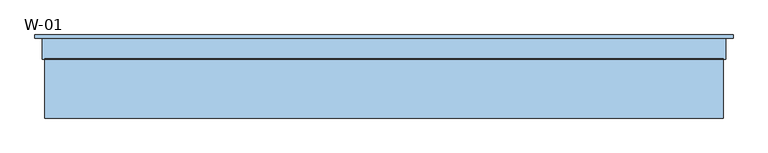
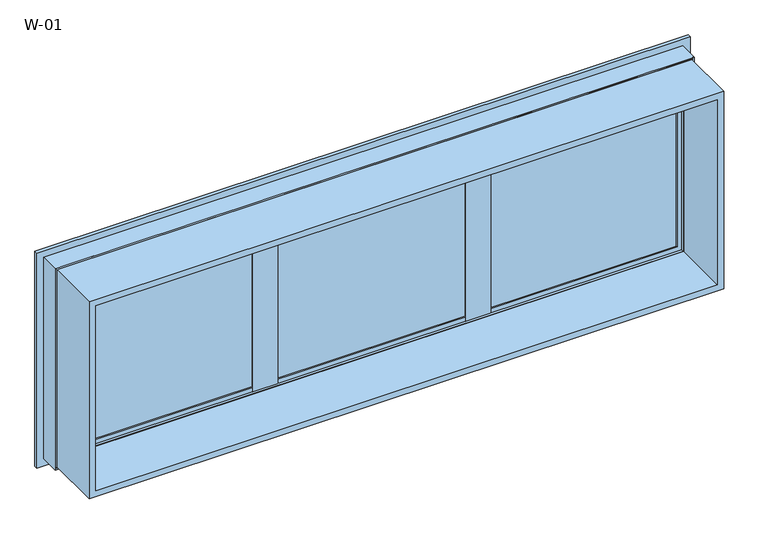
"""IFC4 building model written with IfcOpenShell, lengths in millimetres: window geometry, W-01."""

from ifc_helpers import new_model, si_unit, frame, origin, place, context, project, spatial, polyline, ellipse_curve, outline, extrude, source, transform, mapped, element, save
from ifc_brep_helpers import plane_surface, cylinder_surface, revolved_surface, advanced_brep


def w_01_6a825225(model_context):
    return source(origin(), model_context, "Body", "SolidModel", [
        extrude(outline(polyline([(278.0, 74.4), (-278.0, 74.4), (-278.0, 100.4), (278.0, 100.4), (278.0, 74.4)])), frame((0.0, 0.0, 1427.0), z_axis=(0.0, 0.0, 1.0), x_axis=(1.0, 0.0, 0.0)), (0.0, 0.0, 1.0), 566.0),
        extrude(outline(polyline([(873.0, 74.4), (322.0, 74.4), (322.0, 100.4), (873.0, 100.4), (873.0, 74.4)])), frame((0.0, 0.0, 1427.0), z_axis=(0.0, 0.0, 1.0), x_axis=(1.0, 0.0, 0.0)), (0.0, 0.0, 1.0), 566.0),
        extrude(outline(polyline([(1993.8, 893.8), (1993.8, -893.8), (1406.2, -893.8), (1406.2, 893.8), (1993.8, 893.8)]), holes=[polyline([(1424.7, 875.3), (1424.7, -875.3), (1975.3, -875.3), (1975.3, 875.3), (1424.7, 875.3)])]), frame((0.0, -100.0, 0.0), z_axis=(0.0, 1.0, 0.0), x_axis=(0.0, 0.0, 1.0)), (0.0, 0.0, 1.0), 165.9999813),
        extrude(outline(polyline([(-322.0, 74.4), (-873.0, 74.4), (-873.0, 100.4), (-322.0, 100.4), (-322.0, 74.4)])), frame((0.0, 0.0, 1427.0), z_axis=(0.0, 0.0, 1.0), x_axis=(1.0, 0.0, 0.0)), (0.0, 0.0, 1.0), 566.0),
        advanced_brep(
        [(265.0, 107.7228474, 1960.0), (265.0, 107.7228474, 1440.0), (262.8575034, 100.3927452, 1442.1424966), (262.8575034, 100.3927452, 1957.8575034), (265.0, 118.9999377, 1960.0), (265.0, 118.9999377, 1440.0), (285.0, 100.3927452, 1980.0), (285.0, 100.3927452, 1420.0), (285.0, 118.9999377, 1420.0), (285.0, 118.9999377, 1980.0), (-265.0, 107.7228474, 1440.0), (-262.8575034, 100.3927452, 1442.1424966), (-265.0, 118.9999377, 1440.0), (-285.0, 100.3927452, 1420.0), (-285.0, 118.9999377, 1420.0), (-265.0, 107.7228474, 1960.0), (-262.8575034, 100.3927452, 1957.8575034), (-265.0, 118.9999377, 1960.0), (-285.0, 100.3927452, 1980.0), (-285.0, 118.9999377, 1980.0)],
        [
            (0, 1),
            (1, 2, ellipse_curve(frame((245.3925883, 109.4756835, 1459.6074117), z_axis=(-0.7071067811865475, 0.0, -0.7071067811865475), x_axis=(0.7071067811865474, 0.0, -0.7071067811865476)), 27.839649, 19.6856046)),
            (2, 3),
            (3, 0, ellipse_curve(frame((245.3925883, 109.4756835, 1940.3925883), z_axis=(-0.7071067811865475, 0.0, 0.7071067811865475), x_axis=(-0.7071067811865474, 0.0, -0.7071067811865476)), 27.839649, 19.6856046)),
            (4, 5),
            (5, 1),
            (0, 4),
            (6, 7),
            (7, 8),
            (8, 9),
            (9, 6),
            (1, 10),
            (10, 11, ellipse_curve(frame((-245.3925883, 109.4756835, 1459.6074117), z_axis=(-0.7071067811865475, 0.0, 0.7071067811865475), x_axis=(-0.7071067811865476, 0.0, -0.7071067811865474)), 27.839649, 19.6856046)),
            (11, 2),
            (5, 12),
            (12, 10),
            (7, 13),
            (13, 14),
            (14, 8),
            (10, 15),
            (15, 16, ellipse_curve(frame((-245.3925883, 109.4756835, 1940.3925883), z_axis=(0.7071067811865475, 0.0, 0.7071067811865475), x_axis=(-0.7071067811865474, 0.0, 0.7071067811865476)), 27.839649, 19.6856046)),
            (16, 11),
            (12, 17),
            (17, 15),
            (13, 18),
            (18, 19),
            (19, 14),
            (6, 18),
            (16, 3),
            (15, 0),
            (17, 4),
            (19, 9),
        ],
        [
            revolved_surface(polyline([(265.0781929, 109.4756835, 1439.921807106247), (265.0781929, 109.4756835, 1960.0781928937533)]), (245.3925883, 109.4756835, 1980.0), (0.0, 0.0, -1.0)),
            plane_surface(frame((265.0, 107.7228474, 1960.0), z_axis=(-1.0, 0.0, 0.0), x_axis=(0.0, 0.0, -1.0))),
            plane_surface(frame((285.0, 118.9999377, 1980.0), z_axis=(1.0, 0.0, 0.0), x_axis=(0.0, 0.0, -1.0))),
            revolved_surface(polyline([(-265.0781928937532, 109.4756835, 1439.9218071), (265.0781928937533, 109.4756835, 1439.9218071)]), (285.0, 109.4756835, 1459.6074117), (-1.0, 0.0, 0.0)),
            plane_surface(frame((265.0, 107.7228474, 1440.0), z_axis=(0.0, 0.0, 1.0), x_axis=(-1.0, 0.0, 0.0))),
            plane_surface(frame((285.0, 118.9999377, 1420.0), z_axis=(0.0, 0.0, -1.0), x_axis=(-1.0, 0.0, 0.0))),
            revolved_surface(polyline([(-265.0781929, 109.4756835, 1960.078192893753), (-265.0781929, 109.4756835, 1439.921807106247)]), (-245.3925883, 109.4756835, 1420.0), (0.0, 0.0, 1.0)),
            plane_surface(frame((-265.0, 107.7228474, 1440.0), z_axis=(1.0, 0.0, 0.0), x_axis=(0.0, 0.0, 1.0))),
            plane_surface(frame((-285.0, 118.9999377, 1420.0), z_axis=(-1.0, 0.0, 0.0), x_axis=(0.0, 0.0, 1.0))),
            plane_surface(frame((-285.0, 100.3927452, 1980.0), z_axis=(0.0, -1.0, 0.0), x_axis=(1.0, 0.0, 0.0))),
            revolved_surface(polyline([(265.0781928937532, 109.4756835, 1960.0781929), (-265.0781928937533, 109.4756835, 1960.0781929)]), (-285.0, 109.4756835, 1940.3925883), (1.0, 0.0, 0.0)),
            plane_surface(frame((-265.0, 107.7228474, 1960.0), z_axis=(0.0, 0.0, -1.0), x_axis=(1.0, 0.0, 0.0))),
            plane_surface(frame((-265.0, 118.9999377, 1960.0), z_axis=(0.0, 1.0, 0.0), x_axis=(1.0, 0.0, 0.0))),
            plane_surface(frame((-285.0, 118.9999377, 1980.0), z_axis=(0.0, 0.0, 1.0), x_axis=(1.0, 0.0, 0.0))),
        ],
        [
            (0, [[1, 2, 3, 4]]),
            (1, [[5, 6, -1, 7]]),
            (2, [[8, 9, 10, 11]]),
            (3, [[12, 13, 14, -2]]),
            (4, [[15, 16, -12, -6]]),
            (5, [[17, 18, 19, -9]]),
            (6, [[20, 21, 22, -13]]),
            (7, [[23, 24, -20, -16]]),
            (8, [[25, 26, 27, -18]]),
            (9, [[-8, 28, -25, -17], [-3, -14, -22, 29]]),
            (10, [[30, -4, -29, -21]]),
            (11, [[31, -7, -30, -24]]),
            (12, [[-10, -19, -27, 32], [-5, -31, -23, -15]]),
            (13, [[-28, -11, -32, -26]]),
        ],
    ),
        extrude(outline(polyline([(264.9999652, 68.9990172), (264.9999652, 72.5990172), (284.9999813, 72.5990172), (284.9999813, 118.9999375), (315.0000187, 118.9999375), (315.0000187, 72.5990172), (335.0000026, 72.5990172), (335.0000026, 68.9990172), (264.9999652, 68.9990172)])), frame((0.0, 0.0, 1420.0), z_axis=(0.0, 0.0, 1.0), x_axis=(1.0, 0.0, 0.0)), (0.0, 0.0, 1.0), 560.0),
        advanced_brep(
        [(-860.0, 107.7228474, 1960.0), (-857.8575034, 100.3927452, 1957.8575034), (-857.8575034, 100.3927452, 1442.1424966), (-860.0, 107.7228474, 1440.0), (-860.0, 118.9999377, 1960.0), (-860.0, 118.9999377, 1440.0), (-880.0, 100.3927452, 1980.0), (-880.0, 118.9999377, 1980.0), (-880.0, 118.9999377, 1420.0), (-880.0, 100.3927452, 1420.0), (-337.1424966, 100.3927452, 1442.1424966), (-335.0, 107.7228474, 1440.0), (-335.0, 118.9999377, 1440.0), (-315.0, 118.9999377, 1420.0), (-315.0, 100.3927452, 1420.0), (-337.1424966, 100.3927452, 1957.8575034), (-335.0, 107.7228474, 1960.0), (-335.0, 118.9999377, 1960.0), (-315.0, 118.9999377, 1980.0), (-315.0, 100.3927452, 1980.0)],
        [
            (0, 1, ellipse_curve(frame((-840.3925883, 109.4756835, 1940.3925883), z_axis=(0.7071067811865475, 0.0, 0.7071067811865475), x_axis=(0.7071067811865474, 0.0, -0.7071067811865476)), 27.839649, 19.6856046)),
            (1, 2),
            (2, 3, ellipse_curve(frame((-840.3925883, 109.4756835, 1459.6074117), z_axis=(0.7071067811865475, 0.0, -0.7071067811865475), x_axis=(-0.7071067811865474, 0.0, -0.7071067811865476)), 27.839649, 19.6856046)),
            (3, 0),
            (4, 0),
            (3, 5),
            (5, 4),
            (6, 7),
            (7, 8),
            (8, 9),
            (9, 6),
            (2, 10),
            (10, 11, ellipse_curve(frame((-354.6074117, 109.4756835, 1459.6074117), z_axis=(0.7071067811865475, 0.0, 0.7071067811865475), x_axis=(0.7071067811865476, 0.0, -0.7071067811865474)), 27.839649, 19.6856046)),
            (11, 3),
            (11, 12),
            (12, 5),
            (8, 13),
            (13, 14),
            (14, 9),
            (10, 15),
            (15, 16, ellipse_curve(frame((-354.6074117, 109.4756835, 1940.3925883), z_axis=(-0.7071067811865475, 0.0, 0.7071067811865475), x_axis=(0.7071067811865474, 0.0, 0.7071067811865476)), 27.839649, 19.6856046)),
            (16, 11),
            (16, 17),
            (17, 12),
            (13, 18),
            (18, 19),
            (19, 14),
            (19, 6),
            (1, 15),
            (0, 16),
            (4, 17),
            (7, 18),
        ],
        [
            revolved_surface(polyline([(-860.0781929000001, 109.4756835, 1439.921807106247), (-860.0781929000001, 109.4756835, 1960.0781928937533)]), (-840.3925883, 109.4756835, 1980.0), (0.0, 0.0, -1.0)),
            plane_surface(frame((-860.0, 107.7228474, 1960.0), z_axis=(1.0, 0.0, 0.0), x_axis=(0.0, 0.0, -1.0))),
            plane_surface(frame((-880.0, 118.9999377, 1980.0), z_axis=(-1.0, 0.0, 0.0), x_axis=(0.0, 0.0, -1.0))),
            revolved_surface(polyline([(-334.9218071062468, 109.4756835, 1439.9218071), (-860.0781928937533, 109.4756835, 1439.9218071)]), (-880.0, 109.4756835, 1459.6074117), (1.0, 0.0, 0.0)),
            plane_surface(frame((-860.0, 107.7228474, 1440.0), z_axis=(0.0, 0.0, 1.0), x_axis=(1.0, 0.0, 0.0))),
            plane_surface(frame((-880.0, 118.9999377, 1420.0), z_axis=(0.0, 0.0, -1.0), x_axis=(1.0, 0.0, 0.0))),
            revolved_surface(polyline([(-334.9218071, 109.4756835, 1960.078192893753), (-334.9218071, 109.4756835, 1439.921807106247)]), (-354.6074117, 109.4756835, 1420.0), (0.0, 0.0, 1.0)),
            plane_surface(frame((-335.0, 107.7228474, 1440.0), z_axis=(-1.0, 0.0, 0.0), x_axis=(0.0, 0.0, 1.0))),
            plane_surface(frame((-315.0, 118.9999377, 1420.0), z_axis=(1.0, 0.0, 0.0), x_axis=(0.0, 0.0, 1.0))),
            plane_surface(frame((-315.0, 100.3927452, 1980.0), z_axis=(0.0, -1.0, 0.0), x_axis=(-1.0, 0.0, 0.0))),
            revolved_surface(polyline([(-860.0781928937533, 109.4756835, 1960.0781929), (-334.9218071062467, 109.4756835, 1960.0781929)]), (-315.0, 109.4756835, 1940.3925883), (-1.0, 0.0, 0.0)),
            plane_surface(frame((-335.0, 107.7228474, 1960.0), z_axis=(0.0, 0.0, -1.0), x_axis=(-1.0, 0.0, 0.0))),
            plane_surface(frame((-335.0, 118.9999377, 1960.0), z_axis=(0.0, 1.0, 0.0), x_axis=(-1.0, 0.0, 0.0))),
            plane_surface(frame((-315.0, 118.9999377, 1980.0), z_axis=(0.0, 0.0, 1.0), x_axis=(-1.0, 0.0, 0.0))),
        ],
        [
            (0, [[1, 2, 3, 4]]),
            (1, [[5, -4, 6, 7]]),
            (2, [[8, 9, 10, 11]]),
            (3, [[-3, 12, 13, 14]]),
            (4, [[-6, -14, 15, 16]]),
            (5, [[-10, 17, 18, 19]]),
            (6, [[-13, 20, 21, 22]]),
            (7, [[-15, -22, 23, 24]]),
            (8, [[-18, 25, 26, 27]]),
            (9, [[-19, -27, 28, -11], [29, -20, -12, -2]]),
            (10, [[-21, -29, -1, 30]]),
            (11, [[-23, -30, -5, 31]]),
            (12, [[32, -25, -17, -9], [-16, -24, -31, -7]]),
            (13, [[-26, -32, -8, -28]]),
        ],
    ),
        extrude(outline(polyline([(-335.0000348, 68.9990172), (-335.0000348, 72.5990172), (-315.0000187, 72.5990172), (-315.0000187, 118.9999375), (-284.9999813, 118.9999375), (-284.9999813, 72.5990172), (-264.9999974, 72.5990172), (-264.9999974, 68.9990172), (-335.0000348, 68.9990172)])), frame((0.0, 0.0, 1420.0), z_axis=(0.0, 0.0, 1.0), x_axis=(1.0, 0.0, 0.0)), (0.0, 0.0, 1.0), 560.0),
        advanced_brep(
        [(860.0, 107.7228474, 1960.0), (860.0, 107.7228474, 1440.0), (857.8575034, 100.3927452, 1442.1424966), (857.8575034, 100.3927452, 1957.8575034), (860.0, 118.9999377, 1960.0), (860.0, 118.9999377, 1440.0), (880.0, 100.3927452, 1980.0), (880.0, 100.3927452, 1420.0), (880.0, 118.9999377, 1420.0), (880.0, 118.9999377, 1980.0), (335.0, 107.7228474, 1440.0), (337.1424966, 100.3927452, 1442.1424966), (335.0, 118.9999377, 1440.0), (315.0, 100.3927452, 1420.0), (315.0, 118.9999377, 1420.0), (335.0, 107.7228474, 1960.0), (337.1424966, 100.3927452, 1957.8575034), (335.0, 118.9999377, 1960.0), (315.0, 100.3927452, 1980.0), (315.0, 118.9999377, 1980.0)],
        [
            (0, 1),
            (1, 2, ellipse_curve(frame((840.3925883, 109.4756835, 1459.6074117), z_axis=(-0.7071067811865475, 0.0, -0.7071067811865475), x_axis=(0.7071067811865474, 0.0, -0.7071067811865476)), 27.839649, 19.6856046)),
            (2, 3),
            (3, 0, ellipse_curve(frame((840.3925883, 109.4756835, 1940.3925883), z_axis=(-0.7071067811865475, 0.0, 0.7071067811865475), x_axis=(-0.7071067811865474, 0.0, -0.7071067811865476)), 27.839649, 19.6856046)),
            (4, 5),
            (5, 1),
            (0, 4),
            (6, 7),
            (7, 8),
            (8, 9),
            (9, 6),
            (1, 10),
            (10, 11, ellipse_curve(frame((354.6074117, 109.4756835, 1459.6074117), z_axis=(-0.7071067811865475, 0.0, 0.7071067811865475), x_axis=(-0.7071067811865476, 0.0, -0.7071067811865474)), 27.839649, 19.6856046)),
            (11, 2),
            (5, 12),
            (12, 10),
            (7, 13),
            (13, 14),
            (14, 8),
            (10, 15),
            (15, 16, ellipse_curve(frame((354.6074117, 109.4756835, 1940.3925883), z_axis=(0.7071067811865475, 0.0, 0.7071067811865475), x_axis=(-0.7071067811865474, 0.0, 0.7071067811865476)), 27.839649, 19.6856046)),
            (16, 11),
            (12, 17),
            (17, 15),
            (13, 18),
            (18, 19),
            (19, 14),
            (6, 18),
            (16, 3),
            (15, 0),
            (17, 4),
            (19, 9),
        ],
        [
            revolved_surface(polyline([(860.0781929000001, 109.4756835, 1439.921807106247), (860.0781929000001, 109.4756835, 1960.0781928937533)]), (840.3925883, 109.4756835, 1980.0), (0.0, 0.0, -1.0)),
            plane_surface(frame((860.0, 107.7228474, 1960.0), z_axis=(-1.0, 0.0, 0.0), x_axis=(0.0, 0.0, -1.0))),
            plane_surface(frame((880.0, 118.9999377, 1980.0), z_axis=(1.0, 0.0, 0.0), x_axis=(0.0, 0.0, -1.0))),
            revolved_surface(polyline([(334.9218071062468, 109.4756835, 1439.9218071), (860.0781928937533, 109.4756835, 1439.9218071)]), (880.0, 109.4756835, 1459.6074117), (-1.0, 0.0, 0.0)),
            plane_surface(frame((860.0, 107.7228474, 1440.0), z_axis=(0.0, 0.0, 1.0), x_axis=(-1.0, 0.0, 0.0))),
            plane_surface(frame((880.0, 118.9999377, 1420.0), z_axis=(0.0, 0.0, -1.0), x_axis=(-1.0, 0.0, 0.0))),
            revolved_surface(polyline([(334.9218071, 109.4756835, 1960.078192893753), (334.9218071, 109.4756835, 1439.921807106247)]), (354.6074117, 109.4756835, 1420.0), (0.0, 0.0, 1.0)),
            plane_surface(frame((335.0, 107.7228474, 1440.0), z_axis=(1.0, 0.0, 0.0), x_axis=(0.0, 0.0, 1.0))),
            plane_surface(frame((315.0, 118.9999377, 1420.0), z_axis=(-1.0, 0.0, 0.0), x_axis=(0.0, 0.0, 1.0))),
            plane_surface(frame((315.0, 100.3927452, 1980.0), z_axis=(0.0, -1.0, 0.0), x_axis=(1.0, 0.0, 0.0))),
            revolved_surface(polyline([(860.0781928937533, 109.4756835, 1960.0781929), (334.9218071062467, 109.4756835, 1960.0781929)]), (315.0, 109.4756835, 1940.3925883), (1.0, 0.0, 0.0)),
            plane_surface(frame((335.0, 107.7228474, 1960.0), z_axis=(0.0, 0.0, -1.0), x_axis=(1.0, 0.0, 0.0))),
            plane_surface(frame((335.0, 118.9999377, 1960.0), z_axis=(0.0, 1.0, 0.0), x_axis=(1.0, 0.0, 0.0))),
            plane_surface(frame((315.0, 118.9999377, 1980.0), z_axis=(0.0, 0.0, 1.0), x_axis=(1.0, 0.0, 0.0))),
        ],
        [
            (0, [[1, 2, 3, 4]]),
            (1, [[5, 6, -1, 7]]),
            (2, [[8, 9, 10, 11]]),
            (3, [[12, 13, 14, -2]]),
            (4, [[15, 16, -12, -6]]),
            (5, [[17, 18, 19, -9]]),
            (6, [[20, 21, 22, -13]]),
            (7, [[23, 24, -20, -16]]),
            (8, [[25, 26, 27, -18]]),
            (9, [[-8, 28, -25, -17], [-3, -14, -22, 29]]),
            (10, [[30, -4, -29, -21]]),
            (11, [[31, -7, -30, -24]]),
            (12, [[-10, -19, -27, 32], [-5, -31, -23, -15]]),
            (13, [[-28, -11, -32, -26]]),
        ],
    ),
        advanced_brep(
        [(920.000038, 110.0, 2020.000038), (920.000038, 110.0, 1379.999962), (920.000038, 118.9999375, 1379.999962), (920.000038, 118.9999375, 2020.000038), (-920.000038, 118.9999375, 2020.000038), (-920.000038, 118.9999375, 1379.999962), (880.0000396, 118.9999375, 1980.0000396), (-880.0000396, 118.9999375, 1980.0000396), (-880.0000396, 118.9999375, 1419.9999604), (880.0000396, 118.9999375, 1419.9999604), (-920.000038, 110.0, 1379.999962), (-920.000038, 110.0, 2020.000038), (-900.0, 110.0, 2000.0), (900.0, 110.0, 2000.0), (900.0, 110.0, 1400.0), (-900.0, 110.0, 1400.0), (900.0, 54.8507969, 2000.0), (900.0, 54.8507969, 1400.0), (-900.0, 54.8507969, 1400.0), (895.0001465, 54.8506112, 1995.0001465), (895.0001465, 54.8506112, 1404.9998535), (-895.0001465, 54.8506112, 1404.9998535), (895.0001465, 56.5920405, 1995.0001465), (895.0001465, 56.5920405, 1404.9998535), (-895.0001465, 56.5920405, 1404.9998535), (893.8001794, 56.5908144, 1993.8001794), (893.8001794, 56.5908144, 1406.1998206), (-893.8001794, 56.5908144, 1406.1998206), (893.8001794, 65.9999813, 1993.8001794), (893.8001794, 65.9999813, 1406.1998206), (-893.8001794, 65.9999813, 1406.1998206), (-893.8001794, 65.9999813, 1993.8001794), (-874.2001794, 65.9999813, 1974.2001794), (874.2001794, 65.9999813, 1974.2001794), (874.2001794, 65.9999813, 1425.7998206), (-874.2001794, 65.9999813, 1425.7998206), (874.2001794, 61.9999728, 1974.2001794), (874.2001794, 61.9999728, 1425.7998206), (-874.2001794, 61.9999728, 1425.7998206), (-874.2001794, 61.9999728, 1974.2001794), (-872.6156704, 61.9999728, 1972.6156704), (872.6156704, 61.9999728, 1972.6156704), (872.6156704, 61.9999728, 1427.3843296), (-872.6156704, 61.9999728, 1427.3843296), (872.8755675, 68.9999299, 1972.8755675), (872.8755675, 68.9999299, 1427.1244325), (-872.8755675, 68.9999299, 1427.1244325), (-872.8755675, 68.9999299, 1972.8755675), (-860.0002274, 68.9999299, 1960.0002274), (860.0002274, 68.9999299, 1960.0002274), (860.0002274, 68.9999299, 1439.9997726), (-860.0002274, 68.9999299, 1439.9997726), (860.0002274, 72.5999758, 1960.0002274), (860.0002274, 72.5999758, 1439.9997726), (-860.0002274, 72.5999758, 1439.9997726), (-880.0000396, 72.5999758, 1980.0000396), (880.0000396, 72.5999758, 1980.0000396), (880.0000396, 72.5999758, 1419.9999604), (-880.0000396, 72.5999758, 1419.9999604), (-860.0002274, 72.5999758, 1960.0002274), (-900.0, 54.8507969, 2000.0), (-895.0001465, 54.8506112, 1995.0001465), (-895.0001465, 56.5920405, 1995.0001465), (-893.8001794, 56.5908144, 1993.8001794)],
        [
            (0, 1),
            (1, 2),
            (2, 3),
            (3, 0),
            (4, 3),
            (2, 5),
            (5, 4),
            (6, 7),
            (7, 8),
            (8, 9),
            (9, 6),
            (1, 10),
            (10, 5),
            (0, 11),
            (11, 10),
            (12, 13),
            (13, 14),
            (14, 15),
            (15, 12),
            (16, 17),
            (17, 14),
            (13, 16),
            (17, 18),
            (18, 15),
            (19, 20),
            (20, 17, ellipse_curve(frame((897.5001465, 52.8785929, 1402.4998535), z_axis=(-0.7071067811865475, 0.0, -0.7071067811865475), x_axis=(0.7071067811865474, 0.0, -0.7071067811865476)), 4.5030781, 3.184157)),
            (16, 19, ellipse_curve(frame((897.5001465, 52.8785929, 1997.5001465), z_axis=(-0.7071067811865475, 0.0, 0.7071067811865475), x_axis=(-0.7071067811865474, 0.0, -0.7071067811865476)), 4.5030781, 3.184157)),
            (20, 21),
            (21, 18, ellipse_curve(frame((-897.5001465, 52.8785929, 1402.4998535), z_axis=(-0.7071067811865475, 0.0, 0.7071067811865475), x_axis=(-0.7071067811865476, 0.0, -0.7071067811865474)), 4.5030781, 3.184157)),
            (22, 23),
            (23, 20),
            (19, 22),
            (23, 24),
            (24, 21),
            (25, 26),
            (26, 23, ellipse_curve(frame((894.4001534, 56.6007652, 1405.5998466), z_axis=(0.7071067811865475, 0.0, 0.7071067811865475), x_axis=(-0.7071067811865474, 0.0, 0.7071067811865476)), 0.8486081, 0.6000566)),
            (22, 25, ellipse_curve(frame((894.4001534, 56.6007652, 1994.4001534), z_axis=(0.7071067811865475, 0.0, -0.7071067811865475), x_axis=(0.7071067811865474, 0.0, 0.7071067811865476)), 0.8486081, 0.6000566)),
            (26, 27),
            (27, 24, ellipse_curve(frame((-894.4001534, 56.6007652, 1405.5998466), z_axis=(0.7071067811865475, 0.0, -0.7071067811865475), x_axis=(0.7071067811865476, 0.0, 0.7071067811865474)), 0.8486081, 0.6000566)),
            (28, 29),
            (29, 26),
            (25, 28),
            (29, 30),
            (30, 27),
            (28, 31),
            (31, 30),
            (32, 33),
            (33, 34),
            (34, 35),
            (35, 32),
            (36, 37),
            (37, 34),
            (33, 36),
            (37, 38),
            (38, 35),
            (36, 39),
            (39, 38),
            (40, 41),
            (41, 42),
            (42, 43),
            (43, 40),
            (44, 45),
            (45, 42),
            (41, 44),
            (45, 46),
            (46, 43),
            (44, 47),
            (47, 46),
            (48, 49),
            (49, 50),
            (50, 51),
            (51, 48),
            (52, 53),
            (53, 50),
            (49, 52),
            (53, 54),
            (54, 51),
            (55, 56),
            (56, 57),
            (57, 58),
            (58, 55),
            (52, 59),
            (59, 54),
            (9, 57),
            (56, 6),
            (8, 58),
            (11, 4),
            (18, 60),
            (60, 12),
            (21, 61),
            (61, 60, ellipse_curve(frame((-897.5001465, 52.8785929, 1997.5001465), z_axis=(0.7071067811865475, 0.0, 0.7071067811865475), x_axis=(-0.7071067811865474, 0.0, 0.7071067811865476)), 4.5030781, 3.184157)),
            (24, 62),
            (62, 61),
            (27, 63),
            (63, 62, ellipse_curve(frame((-894.4001534, 56.6007652, 1994.4001534), z_axis=(-0.7071067811865475, 0.0, -0.7071067811865475), x_axis=(0.7071067811865474, 0.0, -0.7071067811865476)), 0.8486081, 0.6000566)),
            (31, 63),
            (39, 32),
            (47, 40),
            (59, 48),
            (7, 55),
            (60, 16),
            (61, 19),
            (62, 22),
            (63, 25),
        ],
        [
            plane_surface(frame((920.000038, 118.9999375, 2020.000038), z_axis=(1.0, 0.0, 0.0), x_axis=(0.0, 0.0, -1.0))),
            plane_surface(frame((-880.0000396, 118.9999375, 1419.9999604), z_axis=(0.0, 1.0, 0.0), x_axis=(0.0, 0.0, 1.0))),
            plane_surface(frame((920.000038, 118.9999375, 1379.999962), z_axis=(0.0, 0.0, -1.0), x_axis=(-1.0, 0.0, 0.0))),
            plane_surface(frame((-920.000038, 110.0, 1379.999962), z_axis=(0.0, -1.0, 0.0), x_axis=(0.0, 0.0, 1.0))),
            plane_surface(frame((900.0, 110.0, 2000.0), z_axis=(1.0, 0.0, 0.0), x_axis=(0.0, 0.0, -1.0))),
            plane_surface(frame((900.0, 110.0, 1400.0), z_axis=(0.0, 0.0, -1.0), x_axis=(-1.0, 0.0, 0.0))),
            revolved_surface(polyline([(900.6843035, 52.8785929, 1399.3156964392774), (900.6843035, 52.8785929, 2000.6843035607226)]), (897.5001465, 52.8785929, 2000.0), (0.0, 0.0, -1.0)),
            revolved_surface(polyline([(-900.6843035607226, 52.8785929, 1399.3156965), (900.6843035607227, 52.8785929, 1399.3156965)]), (900.0, 52.8785929, 1402.4998535), (-1.0, 0.0, 0.0)),
            plane_surface(frame((895.0001465, 54.8506112, 1995.0001465), z_axis=(-1.0, 0.0, 0.0), x_axis=(0.0, 0.0, -1.0))),
            plane_surface(frame((895.0001465, 54.8506112, 1404.9998535), z_axis=(0.0, 0.0, 1.0), x_axis=(-1.0, 0.0, 0.0))),
            cylinder_surface(frame((894.4001534, 56.6007652, 2000.0), z_axis=(0.0, 0.0, 1.0), x_axis=(1.0, 0.0, 0.0)), 0.6000566),
            cylinder_surface(frame((900.0, 56.6007652, 1405.5998466), z_axis=(1.0, 0.0, 0.0), x_axis=(0.0, 0.0, -1.0)), 0.6000566),
            plane_surface(frame((893.8001794, 56.5908144, 1993.8001794), z_axis=(-1.0, 0.0, 0.0), x_axis=(0.0, 0.0, -1.0))),
            plane_surface(frame((893.8001794, 56.5908144, 1406.1998206), z_axis=(0.0, 0.0, 1.0), x_axis=(-1.0, 0.0, 0.0))),
            plane_surface(frame((-893.8001794, 65.9999813, 1406.1998206), z_axis=(0.0, -1.0, 0.0), x_axis=(0.0, 0.0, 1.0))),
            plane_surface(frame((874.2001794, 65.9999813, 1974.2001794), z_axis=(1.0, 0.0, 0.0), x_axis=(0.0, 0.0, -1.0))),
            plane_surface(frame((874.2001794, 65.9999813, 1425.7998206), z_axis=(0.0, 0.0, -1.0), x_axis=(-1.0, 0.0, 0.0))),
            plane_surface(frame((-874.2001794, 61.9999728, 1425.7998206), z_axis=(0.0, -1.0, 0.0), x_axis=(0.0, 0.0, 1.0))),
            plane_surface(frame((872.6156704, 61.9999728, 1972.6156704), z_axis=(-0.9993114533203381, 0.0371028201460986, 0.0), x_axis=(0.0, 0.0, -1.0))),
            plane_surface(frame((872.6156704, 61.9999728, 1427.3843296), z_axis=(0.0, 0.03710282014609248, 0.9993114533203383), x_axis=(-1.0, 0.0, 0.0))),
            plane_surface(frame((-872.8755675, 68.9999299, 1427.1244325), z_axis=(0.0, -1.0, 0.0), x_axis=(0.0, 0.0, 1.0))),
            plane_surface(frame((860.0002274, 68.9999299, 1960.0002274), z_axis=(-1.0, 0.0, 0.0), x_axis=(0.0, 0.0, -1.0))),
            plane_surface(frame((860.0002274, 68.9999299, 1439.9997726), z_axis=(0.0, 0.0, 1.0), x_axis=(-1.0, 0.0, 0.0))),
            plane_surface(frame((-860.0002274, 72.5999758, 1439.9997726), z_axis=(0.0, 1.0, 0.0), x_axis=(0.0, 0.0, 1.0))),
            plane_surface(frame((880.0000396, 72.5999758, 1980.0000396), z_axis=(-1.0, 0.0, 0.0), x_axis=(0.0, 0.0, -1.0))),
            plane_surface(frame((880.0000396, 72.5999758, 1419.9999604), z_axis=(0.0, 0.0, 1.0), x_axis=(-1.0, 0.0, 0.0))),
            plane_surface(frame((-920.000038, 118.9999375, 1379.999962), z_axis=(-1.0, 0.0, 0.0), x_axis=(0.0, 0.0, 1.0))),
            plane_surface(frame((-900.0, 110.0, 1400.0), z_axis=(-1.0, 0.0, 0.0), x_axis=(0.0, 0.0, 1.0))),
            revolved_surface(polyline([(-900.6843035, 52.8785929, 2000.6843035607226), (-900.6843035, 52.8785929, 1399.3156964392774)]), (-897.5001465, 52.8785929, 1400.0), (0.0, 0.0, 1.0)),
            plane_surface(frame((-895.0001465, 54.8506112, 1404.9998535), z_axis=(1.0, 0.0, 0.0), x_axis=(0.0, 0.0, 1.0))),
            cylinder_surface(frame((-894.4001534, 56.6007652, 1400.0), z_axis=(0.0, 0.0, -1.0), x_axis=(-1.0, 0.0, 0.0)), 0.6000566),
            plane_surface(frame((-893.8001794, 56.5908144, 1406.1998206), z_axis=(1.0, 0.0, 0.0), x_axis=(0.0, 0.0, 1.0))),
            plane_surface(frame((-874.2001794, 65.9999813, 1425.7998206), z_axis=(-1.0, 0.0, 0.0), x_axis=(0.0, 0.0, 1.0))),
            plane_surface(frame((-872.6156704, 61.9999728, 1427.3843296), z_axis=(0.9993114533203385, 0.03710282014608636, 0.0), x_axis=(0.0, 0.0, 1.0))),
            plane_surface(frame((-860.0002274, 68.9999299, 1439.9997726), z_axis=(1.0, 0.0, 0.0), x_axis=(0.0, 0.0, 1.0))),
            plane_surface(frame((-880.0000396, 72.5999758, 1419.9999604), z_axis=(1.0, 0.0, 0.0), x_axis=(0.0, 0.0, 1.0))),
            plane_surface(frame((-920.000038, 118.9999375, 2020.000038), z_axis=(0.0, 0.0, 1.0), x_axis=(1.0, 0.0, 0.0))),
            plane_surface(frame((-900.0, 110.0, 2000.0), z_axis=(0.0, 0.0, 1.0), x_axis=(1.0, 0.0, 0.0))),
            revolved_surface(polyline([(900.6843035607226, 52.8785929, 2000.6843035), (-900.6843035607227, 52.8785929, 2000.6843035)]), (-900.0, 52.8785929, 1997.5001465), (1.0, 0.0, 0.0)),
            plane_surface(frame((-895.0001465, 54.8506112, 1995.0001465), z_axis=(0.0, 0.0, -1.0), x_axis=(1.0, 0.0, 0.0))),
            cylinder_surface(frame((-900.0, 56.6007652, 1994.4001534), z_axis=(-1.0, 0.0, 0.0), x_axis=(0.0, 0.0, 1.0)), 0.6000566),
            plane_surface(frame((-893.8001794, 56.5908144, 1993.8001794), z_axis=(0.0, 0.0, -1.0), x_axis=(1.0, 0.0, 0.0))),
            plane_surface(frame((-874.2001794, 65.9999813, 1974.2001794), z_axis=(0.0, 0.0, 1.0), x_axis=(1.0, 0.0, 0.0))),
            plane_surface(frame((-872.6156704, 61.9999728, 1972.6156704), z_axis=(0.0, 0.03710282014609248, -0.9993114533203383), x_axis=(1.0, 0.0, 0.0))),
            plane_surface(frame((-860.0002274, 68.9999299, 1960.0002274), z_axis=(0.0, 0.0, -1.0), x_axis=(1.0, 0.0, 0.0))),
            plane_surface(frame((-880.0000396, 72.5999758, 1980.0000396), z_axis=(0.0, 0.0, -1.0), x_axis=(1.0, 0.0, 0.0))),
        ],
        [
            (0, [[1, 2, 3, 4]]),
            (1, [[5, -3, 6, 7], [8, 9, 10, 11]]),
            (2, [[12, 13, -6, -2]]),
            (3, [[14, 15, -12, -1], [16, 17, 18, 19]]),
            (4, [[20, 21, -17, 22]]),
            (5, [[23, 24, -18, -21]]),
            (6, [[25, 26, -20, 27]]),
            (7, [[28, 29, -23, -26]]),
            (8, [[30, 31, -25, 32]]),
            (9, [[33, 34, -28, -31]]),
            (10, [[35, 36, -30, 37]]),
            (11, [[38, 39, -33, -36]]),
            (12, [[40, 41, -35, 42]]),
            (13, [[43, 44, -38, -41]]),
            (14, [[45, 46, -43, -40], [47, 48, 49, 50]]),
            (15, [[51, 52, -48, 53]]),
            (16, [[54, 55, -49, -52]]),
            (17, [[56, 57, -54, -51], [58, 59, 60, 61]]),
            (18, [[62, 63, -59, 64]]),
            (19, [[65, 66, -60, -63]]),
            (20, [[67, 68, -65, -62], [69, 70, 71, 72]]),
            (21, [[73, 74, -70, 75]]),
            (22, [[76, 77, -71, -74]]),
            (23, [[78, 79, 80, 81], [82, 83, -76, -73]]),
            (24, [[-11, 84, -79, 85]]),
            (25, [[-10, 86, -80, -84]]),
            (26, [[-15, 87, -7, -13]]),
            (27, [[88, 89, -19, -24]]),
            (28, [[90, 91, -88, -29]]),
            (29, [[92, 93, -90, -34]]),
            (30, [[94, 95, -92, -39]]),
            (31, [[-46, 96, -94, -44]]),
            (32, [[-57, 97, -50, -55]]),
            (33, [[-68, 98, -61, -66]]),
            (34, [[-83, 99, -72, -77]]),
            (35, [[-9, 100, -81, -86]]),
            (36, [[-14, -4, -5, -87]]),
            (37, [[101, -22, -16, -89]]),
            (38, [[102, -27, -101, -91]]),
            (39, [[103, -32, -102, -93]]),
            (40, [[104, -37, -103, -95]]),
            (41, [[-45, -42, -104, -96]]),
            (42, [[-56, -53, -47, -97]]),
            (43, [[-67, -64, -58, -98]]),
            (44, [[-82, -75, -69, -99]]),
            (45, [[-8, -85, -78, -100]]),
        ],
    ),
    ])


if __name__ == "__main__":
    model = new_model("IFC4")
    model_context = context("Model", 3, world=origin())
    ifc_project = project(units=[si_unit("LENGTHUNIT", "METRE", prefix="MILLI")], contexts=[model_context])
    site = spatial("IfcSite", under=ifc_project)
    building = spatial("IfcBuilding", under=site)
    placement = place(None, origin())
    w_01_shape = w_01_6a825225(model_context)
    element("IfcWindow", 1, ObjectType="W-01", at=placement, inside=building, context=model_context, shape_type="MappedRepresentation", body=[
        mapped(w_01_shape, transform((0.0, 0.0, 0.0), x_axis=(1.0, 0.0, 0.0), y_axis=(0.0, 1.0, 0.0), z_axis=(0.0, 0.0, 1.0))),
    ])
    save(model, "model.ifc")
